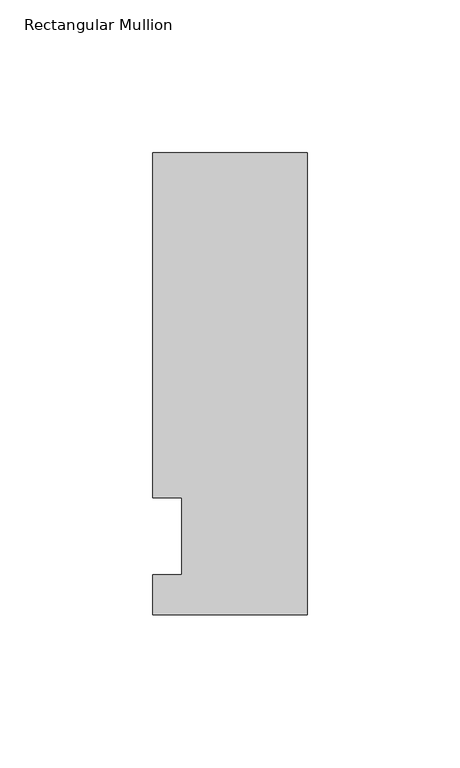
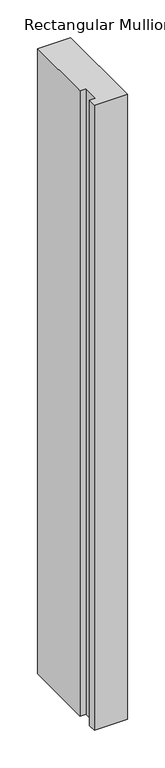
"""IFC4 building model written with IfcOpenShell, lengths in millimetres: member geometry, Rectangular Mullion."""

from ifc_helpers import new_model, si_unit, frame, origin, place, context, project, spatial, polyline, outline, extrude, source, transform, mapped, element, save


def rectangular_mullion_a7fec55b(model_context):
    return source(origin(), model_context, "Body", "SweptSolid", [
        extrude(outline(polyline([(-50.8, -25.7961253), (-50.8, -12.7), (-41.275, -12.7), (-41.275, 12.7), (-50.8, 12.7), (-50.8, 125.8036906), (0.0, 125.8036906), (0.0, -25.7961253), (-50.8, -25.7961253)])), frame((0.0, 0.0, -1016.0), z_axis=(0.0, 0.0, 1.0), x_axis=(1.0, 0.0, 0.0)), (0.0, 0.0, 1.0), 1016.0),
    ])


if __name__ == "__main__":
    model = new_model("IFC4")
    model_context = context("Model", 3, world=origin())
    ifc_project = project(units=[si_unit("LENGTHUNIT", "METRE", prefix="MILLI")], contexts=[model_context])
    site = spatial("IfcSite", under=ifc_project)
    building = spatial("IfcBuilding", under=site)
    placement = place(None, origin())
    rectangular_mullion_shape = rectangular_mullion_a7fec55b(model_context)
    element("IfcMember", 1, ObjectType="Rectangular Mullion", at=placement, inside=building, context=model_context, shape_type="MappedRepresentation", body=[
        mapped(rectangular_mullion_shape, transform((0.0, 0.0, 0.0), x_axis=(1.0, 0.0, 0.0), y_axis=(0.0, 1.0, 0.0), z_axis=(0.0, 0.0, 1.0))),
    ])
    save(model, "model.ifc")
